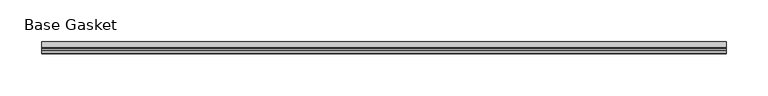
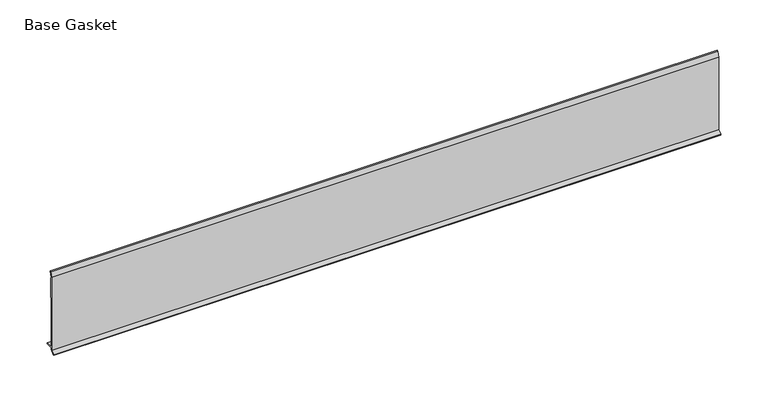
"""IFC4 building model written with IfcOpenShell, lengths in millimetres: furniture geometry, Base Gasket."""

from ifc_helpers import new_model, si_unit, frame, origin, place, context, project, spatial, polyline, outline, extrude, source, transform, mapped, element, save


def base_gasket_af8e04c7(model_context):
    return source(origin(), model_context, "Body", "SweptSolid", [
        extrude(outline(polyline([(-3.7283812, 98.4568417), (-1.1891543, 104.587663), (-0.6755308, 105.2002997), (-0.6755308, 104.4162708), (-2.2043812, 98.4568417), (-2.2043812, 96.8693477), (-1.4106313, 96.8693477), (-1.4106313, 71.4693447), (-2.2043812, 71.4693447), (-2.2043812, 7.9398773), (6.2405171, 7.9398773), (6.2405171, 6.3818476), (-2.1334222, 6.3818476), (-2.2043812, 4.3498477), (-6.8281054, 0.3520979), (-7.8482342, 0.0), (-7.4222115, 0.6560174), (-3.7283812, 4.3498477), (-3.7283812, 98.4568417)])), frame((-1527.8982117, 0.0, 0.0), z_axis=(1.0, 0.0, 0.0), x_axis=(0.0, 1.0, 0.0)), (0.0, 0.0, 1.0), 816.4756656),
    ])


if __name__ == "__main__":
    model = new_model("IFC4")
    model_context = context("Model", 3, world=origin())
    ifc_project = project(units=[si_unit("LENGTHUNIT", "METRE", prefix="MILLI")], contexts=[model_context])
    site = spatial("IfcSite", under=ifc_project)
    building = spatial("IfcBuilding", under=site)
    placement = place(None, origin())
    base_gasket_shape = base_gasket_af8e04c7(model_context)
    element("IfcFurniture", 1, ObjectType="Base Gasket", at=placement, inside=building, context=model_context, shape_type="MappedRepresentation", body=[
        mapped(base_gasket_shape, transform((0.0, 0.0, 0.0), x_axis=(1.0, 0.0, 0.0), y_axis=(0.0, 1.0, 0.0), z_axis=(0.0, 0.0, 1.0))),
    ])
    save(model, "model.ifc")
